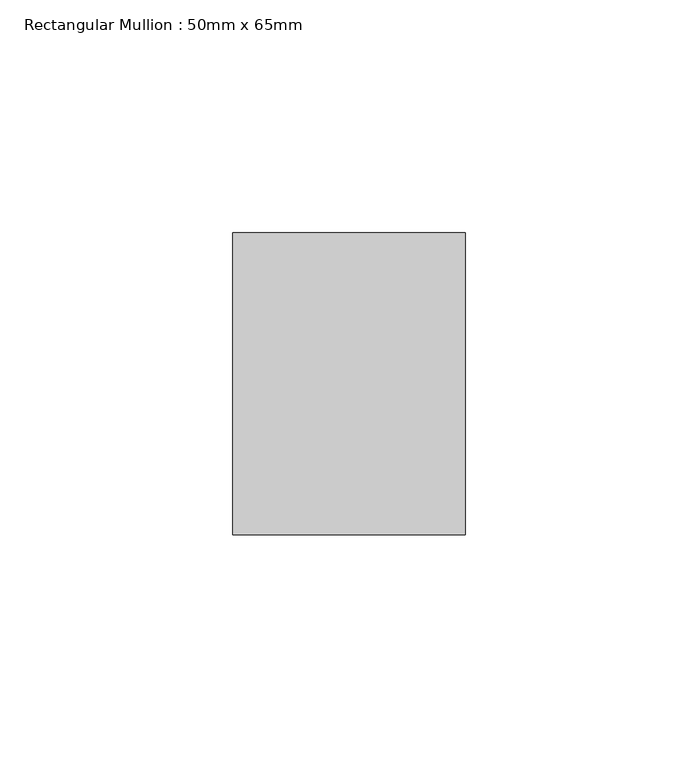
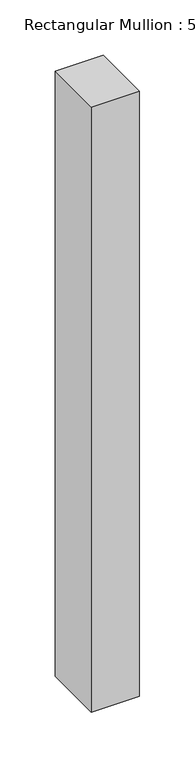
"""IFC4 building model written with IfcOpenShell, lengths in millimetres: member geometry, Rectangular Mullion : 50mm x 65mm."""

from ifc_helpers import new_model, si_unit, frame, origin, place, context, project, spatial, polyline, outline, extrude, source, transform, mapped, element, save


def rectangular_mullion_50mm_x_65mm_e4435e0f(model_context):
    return source(origin(), model_context, "Body", "SweptSolid", [
        extrude(outline(polyline([(25.0, 32.5), (25.0, -32.5), (-25.0, -32.5), (-25.0, 32.5), (25.0, 32.5)])), frame((0.0, 0.0, -667.5402924), z_axis=(0.0, 0.0, 1.0), x_axis=(1.0, 0.0, 0.0)), (0.0, 0.0, 1.0), 667.5402924),
    ])


if __name__ == "__main__":
    model = new_model("IFC4")
    model_context = context("Model", 3, world=origin())
    ifc_project = project(units=[si_unit("LENGTHUNIT", "METRE", prefix="MILLI")], contexts=[model_context])
    site = spatial("IfcSite", under=ifc_project)
    building = spatial("IfcBuilding", under=site)
    placement = place(None, origin())
    rectangular_mullion_50mm_x_65mm_shape = rectangular_mullion_50mm_x_65mm_e4435e0f(model_context)
    element("IfcMember", 1, ObjectType="Rectangular Mullion : 50mm x 65mm", at=placement, inside=building, context=model_context, shape_type="MappedRepresentation", body=[
        mapped(rectangular_mullion_50mm_x_65mm_shape, transform((0.0, 0.0, 0.0), x_axis=(1.0, 0.0, 0.0), y_axis=(0.0, 1.0, 0.0), z_axis=(0.0, 0.0, 1.0))),
    ])
    save(model, "model.ifc")
